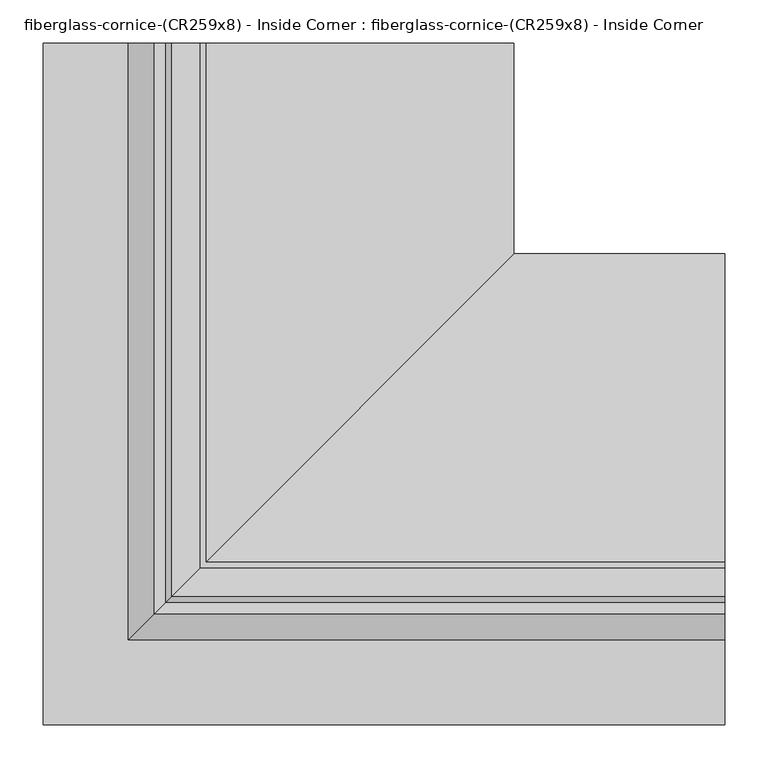
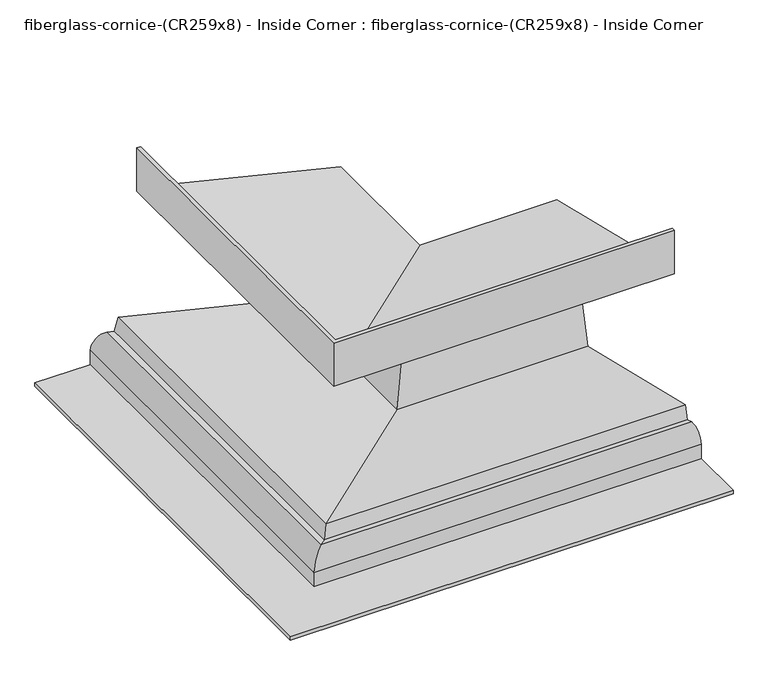
"""IFC4 building model written with IfcOpenShell, lengths in millimetres: furniture geometry, fiberglass-cornice-(CR259x8) - Inside Corner : fiberglass-cornice-(CR259x8) - Inside Corner."""

from ifc_helpers import new_model, si_unit, frame, origin, place, context, project, spatial, polyline, circle_curve, ellipse_curve, source, transform, mapped, element, save
from ifc_brep_helpers import plane_surface, cylinder_surface, revolved_surface, advanced_brep


def fiberglass_cornice_cr259x8_inside_corner_fiberglass_cornice_6072cd7b(model_context):
    return source(origin(), model_context, "Body", "AdvancedBrep", [
        advanced_brep(
        [(-205.7577036, 888.603125, 330.1999904), (-205.7577036, 888.603125, 253.7104048), (150.232347, 888.603125, 167.8901062), (150.232347, 888.603125, 139.2704835), (99.7669767, 888.603125, 64.9272032), (99.7669767, 888.603125, 45.9603526), (83.0016356, 888.603125, 45.9603526), (58.2572658, 888.603125, -56.6814421), (-241.3678799, 888.603125, 15.2521911), (-247.9724082, 888.603125, -9.1337596), (-266.9677129, 888.603125, -4.0860563), (-288.8742751, 888.603125, -22.2687052), (-288.8742751, 888.603125, -55.1143044), (-393.6999938, 888.603125, -55.1143044), (-393.6999938, 888.603125, -48.7643044), (-295.2242751, 888.603125, -48.7643044), (-295.2242751, 888.603125, -22.0374139), (-265.773737, 888.603125, 2.167041), (-252.4494847, 888.603125, -1.3736694), (-245.8843225, 888.603125, 22.8669295), (53.5709069, 888.603125, -49.0259103), (78.0005456, 888.603125, 52.3103526), (93.4169767, 888.603125, 52.3103526), (93.4169767, 888.603125, 65.1880203), (143.882347, 888.603125, 143.1140412), (143.882347, 888.603125, 162.8890163), (-212.1077036, 888.603125, 248.7093148), (-212.1077036, 888.603125, 330.1999904), (393.6999938, 289.1454153, 330.1999904), (393.6999938, 282.7954153, 330.1999904), (393.6999938, 282.7954153, 248.7093148), (393.6999938, 638.7854658, 162.8890163), (393.6999938, 638.7854658, 143.1140412), (393.6999938, 588.3200956, 65.1880203), (393.6999938, 588.3200956, 52.3103526), (393.6999938, 572.9036645, 52.3103526), (393.6999938, 548.4740257, -49.0259103), (393.6999938, 249.0187964, 22.8669295), (393.6999938, 242.4536342, -1.3736694), (393.6999938, 229.1293819, 2.167041), (393.6999938, 199.6788437, -22.0374139), (393.6999938, 199.6788437, -48.7643044), (393.6999938, 101.203125, -48.7643044), (393.6999938, 101.203125, -55.1143044), (393.6999938, 206.0288437, -55.1143044), (393.6999938, 206.0288437, -22.2687052), (393.6999938, 227.935406, -4.0860563), (393.6999938, 246.9307107, -9.1337596), (393.6999938, 253.535239, 15.2521911), (393.6999938, 553.1603846, -56.6814421), (393.6999938, 577.9047544, 45.9603526), (393.6999938, 594.6700956, 45.9603526), (393.6999938, 594.6700956, 64.9272032), (393.6999938, 645.1354658, 139.2704835), (393.6999938, 645.1354658, 167.8901062), (393.6999938, 289.1454153, 253.7104048), (-205.7577036, 289.1454153, 330.1999904), (-205.7577036, 289.1454153, 253.7104048), (150.232347, 645.1354658, 167.8901062), (150.232347, 645.1354658, 139.2704835), (99.7669767, 594.6700956, 64.9272032), (99.7669767, 594.6700956, 45.9603526), (83.0016356, 577.9047544, 45.9603526), (58.2572658, 553.1603846, -56.6814421), (-241.3678799, 253.535239, 15.2521911), (-247.9724082, 246.9307107, -9.1337596), (-266.9677129, 227.935406, -4.0860563), (-288.8742751, 206.0288437, -22.2687052), (-288.8742751, 206.0288437, -55.1143044), (-393.6999938, 101.203125, -55.1143044), (-393.6999938, 101.203125, -48.7643044), (-295.2242751, 199.6788437, -48.7643044), (-295.2242751, 199.6788437, -22.0374139), (-265.773737, 229.1293819, 2.167041), (-252.4494847, 242.4536342, -1.3736694), (-245.8843225, 249.0187964, 22.8669295), (53.5709069, 548.4740257, -49.0259103), (78.0005456, 572.9036645, 52.3103526), (93.4169767, 588.3200956, 52.3103526), (93.4169767, 588.3200956, 65.1880203), (143.882347, 638.7854658, 143.1140412), (143.882347, 638.7854658, 162.8890163), (-212.1077036, 282.7954153, 248.7093148), (-212.1077036, 282.7954153, 330.1999904)],
        [
            (0, 1),
            (1, 2),
            (2, 3),
            (3, 4, circle_curve(frame((191.009118, 888.603125, 57.2906021), z_axis=(0.0, -1.0, 0.0), x_axis=(-0.4453500919487112, 0.0, 0.8953565187126715)), 91.56116)),
            (4, 5),
            (5, 6),
            (6, 7),
            (7, 8),
            (8, 9),
            (9, 10),
            (10, 11, circle_curve(frame((-269.0875595, 888.603125, -23.8199545), z_axis=(0.0, -1.0, 0.0), x_axis=(0.10680710794097731, 0.0, 0.9942797602753887)), 19.8474303)),
            (11, 12),
            (12, 13),
            (13, 14),
            (14, 15),
            (15, 16),
            (16, 17, circle_curve(frame((-269.0875595, 888.603125, -23.8199545), z_axis=(0.0, 1.0, 0.0), x_axis=(0.1264941823253783, 0.0, 0.9919673491793135)), 26.1974303)),
            (17, 18),
            (18, 19),
            (19, 20),
            (20, 21),
            (21, 22),
            (22, 23),
            (23, 24, circle_curve(frame((191.009118, 888.603125, 57.2906021), z_axis=(0.0, 1.0, 0.0), x_axis=(-0.48132175152741535, 0.0, 0.8765439929099856)), 97.91116)),
            (24, 25),
            (25, 26),
            (26, 27),
            (27, 0),
            (28, 29),
            (29, 30),
            (30, 31),
            (31, 32),
            (32, 33, circle_curve(frame((393.6999938, 685.9122368, 57.2906021), z_axis=(1.0, 0.0, 0.0), x_axis=(0.0, -0.48132175152741535, 0.8765439929099856)), 97.91116)),
            (33, 34),
            (34, 35),
            (35, 36),
            (36, 37),
            (37, 38),
            (38, 39),
            (39, 40, circle_curve(frame((393.6999938, 225.8155594, -23.8199545), z_axis=(1.0, 0.0, 0.0), x_axis=(0.0, 0.1264941823253783, 0.9919673491793135)), 26.1974303)),
            (40, 41),
            (41, 42),
            (42, 43),
            (43, 44),
            (44, 45),
            (45, 46, circle_curve(frame((393.6999938, 225.8155594, -23.8199545), z_axis=(-1.0, 0.0, 0.0), x_axis=(0.0, 0.10680710794097731, 0.9942797602753887)), 19.8474303)),
            (46, 47),
            (47, 48),
            (48, 49),
            (49, 50),
            (50, 51),
            (51, 52),
            (52, 53, circle_curve(frame((393.6999938, 685.9122368, 57.2906021), z_axis=(-1.0, 0.0, 0.0), x_axis=(0.0, -0.4453500919487112, 0.8953565187126715)), 91.56116)),
            (53, 54),
            (54, 55),
            (55, 28),
            (0, 56),
            (56, 57),
            (57, 1),
            (57, 58),
            (58, 2),
            (58, 59),
            (59, 3),
            (59, 60, ellipse_curve(frame((191.009118, 685.9122368, 57.2906021), z_axis=(0.7071067811865475, -0.7071067811865475, 0.0), x_axis=(-0.7071067811865474, -0.7071067811865476, 0.0)), 129.4870342, 91.56116)),
            (60, 4),
            (60, 61),
            (61, 5),
            (61, 51),
            (50, 62),
            (62, 6),
            (62, 63),
            (63, 7),
            (63, 64),
            (64, 8),
            (64, 65),
            (65, 9),
            (65, 66),
            (66, 10),
            (66, 67, ellipse_curve(frame((-269.0875595, 225.8155594, -23.8199545), z_axis=(0.7071067811865475, -0.7071067811865475, 0.0), x_axis=(-0.7071067811865474, -0.7071067811865476, 0.0)), 28.0685051, 19.8474303)),
            (67, 11),
            (67, 68),
            (68, 12),
            (68, 44),
            (43, 69),
            (69, 13),
            (69, 70),
            (70, 14),
            (70, 42),
            (41, 71),
            (71, 15),
            (71, 72),
            (72, 16),
            (72, 73, ellipse_curve(frame((-269.0875595, 225.8155594, -23.8199545), z_axis=(-0.7071067811865475, 0.7071067811865475, 0.0), x_axis=(0.7071067811865474, 0.7071067811865476, 0.0)), 37.0487613, 26.1974303)),
            (73, 17),
            (73, 74),
            (74, 18),
            (74, 75),
            (75, 19),
            (75, 76),
            (76, 20),
            (76, 77),
            (77, 21),
            (77, 35),
            (34, 78),
            (78, 22),
            (78, 79),
            (79, 23),
            (79, 80, ellipse_curve(frame((191.009118, 685.9122368, 57.2906021), z_axis=(-0.7071067811865475, 0.7071067811865475, 0.0), x_axis=(0.7071067811865474, 0.7071067811865476, 0.0)), 138.4672904, 97.91116)),
            (80, 24),
            (80, 81),
            (81, 25),
            (81, 82),
            (82, 26),
            (82, 83),
            (83, 27),
            (83, 29),
            (28, 56),
            (55, 57),
            (54, 58),
            (53, 59),
            (52, 60),
            (49, 63),
            (48, 64),
            (47, 65),
            (46, 66),
            (45, 67),
            (40, 72),
            (39, 73),
            (38, 74),
            (37, 75),
            (36, 76),
            (33, 79),
            (32, 80),
            (31, 81),
            (30, 82),
        ],
        [
            plane_surface(frame((-393.6999938, 888.603125, 330.1999904), z_axis=(0.0, 1.0, 0.0), x_axis=(0.0, 0.0, 1.0))),
            plane_surface(frame((393.6999938, 101.203125, 330.1999904), z_axis=(1.0, 0.0, 0.0), x_axis=(0.0, 0.0, 1.0))),
            plane_surface(frame((-205.7577036, 888.603125, 330.1999904), z_axis=(1.0, 0.0, 0.0), x_axis=(0.0, -1.0, 0.0))),
            plane_surface(frame((-205.7577036, 888.603125, 253.7104048), z_axis=(0.23436096824915312, 0.0, 0.9721496472052641), x_axis=(0.0, -1.0, 0.0))),
            plane_surface(frame((150.232347, 888.603125, 167.8901062), z_axis=(1.0, 0.0, 0.0), x_axis=(0.0, -1.0, 0.0))),
            revolved_surface(polyline([(150.23234697506933, 594.3510768414455, 139.27048356689392), (150.23234697506933, 888.603125, 139.27048356689392)]), (191.009118, 888.603125, 57.2906021), (0.0, -1.0, 0.0)),
            plane_surface(frame((99.7669767, 888.603125, 64.9272032), z_axis=(1.0, 0.0, 0.0), x_axis=(0.0, -1.0, 0.0))),
            plane_surface(frame((99.7669767, 888.603125, 45.9603526), z_axis=(0.0, 0.0, -1.0), x_axis=(0.0, -1.0, 0.0))),
            plane_surface(frame((83.0016356, 888.603125, 45.9603526), z_axis=(0.9721496472052688, 0.0, -0.23436096824913397), x_axis=(0.0, -1.0, 0.0))),
            plane_surface(frame((58.2572658, 888.603125, -56.6814421), z_axis=(-0.2334453638561831, 0.0, -0.9723699203976099), x_axis=(0.0, -1.0, 0.0))),
            plane_surface(frame((-241.3678799, 888.603125, 15.2521911), z_axis=(0.9652263719199687, 0.0, -0.2614154757282249), x_axis=(0.0, -1.0, 0.0))),
            plane_surface(frame((-247.9724082, 888.603125, -9.1337596), z_axis=(-0.25682125156331215, 0.0, -0.966458920361054), x_axis=(0.0, -1.0, 0.0))),
            revolved_surface(polyline([(-266.9677128695969, 205.9681291060208, -4.086056259233516), (-266.9677128695969, 888.603125, -4.086056259233516)]), (-269.0875595, 888.603125, -23.8199545), (0.0, -1.0, 0.0)),
            plane_surface(frame((-288.8742751, 888.603125, -22.2687052), z_axis=(1.0, 0.0, 0.0), x_axis=(0.0, -1.0, 0.0))),
            plane_surface(frame((-288.8742751, 888.603125, -55.1143044), z_axis=(0.0, 0.0, -1.0), x_axis=(0.0, -1.0, 0.0))),
            plane_surface(frame((-393.6999938, 888.603125, -55.1143044), z_axis=(-1.0, 0.0, 0.0), x_axis=(0.0, -1.0, 0.0))),
            plane_surface(frame((-393.6999938, 888.603125, -48.7643044), z_axis=(0.0, 0.0, 1.0), x_axis=(0.0, -1.0, 0.0))),
            plane_surface(frame((-295.2242751, 888.603125, -48.7643044), z_axis=(-1.0, 0.0, 0.0), x_axis=(0.0, -1.0, 0.0))),
            cylinder_surface(frame((-269.0875595, 888.603125, -23.8199545), z_axis=(0.0, 1.0, 0.0), x_axis=(0.1264941823253783, 0.0, 0.9919673491793135)), 26.1974303),
            plane_surface(frame((-265.773737, 888.603125, 2.167041), z_axis=(0.25682125156327507, 0.0, 0.9664589203610638), x_axis=(0.0, -1.0, 0.0))),
            plane_surface(frame((-252.4494847, 888.603125, -1.3736694), z_axis=(-0.965226371919969, 0.0, 0.2614154757282244), x_axis=(0.0, -1.0, 0.0))),
            plane_surface(frame((-245.8843225, 888.603125, 22.8669295), z_axis=(0.23344536385618272, 0.0, 0.97236992039761), x_axis=(0.0, -1.0, 0.0))),
            plane_surface(frame((53.5709069, 888.603125, -49.0259103), z_axis=(-0.9721496472052703, 0.0, 0.23436096824912744), x_axis=(0.0, -1.0, 0.0))),
            plane_surface(frame((78.0005456, 888.603125, 52.3103526), z_axis=(0.0, 0.0, 1.0), x_axis=(0.0, -1.0, 0.0))),
            plane_surface(frame((93.4169767, 888.603125, 52.3103526), z_axis=(-1.0, 0.0, 0.0), x_axis=(0.0, -1.0, 0.0))),
            cylinder_surface(frame((191.009118, 888.603125, 57.2906021), z_axis=(0.0, 1.0, 0.0), x_axis=(-0.48132175152741535, 0.0, 0.8765439929099856)), 97.91116),
            plane_surface(frame((143.882347, 888.603125, 143.1140412), z_axis=(-1.0, 0.0, 0.0), x_axis=(0.0, -1.0, 0.0))),
            plane_surface(frame((143.882347, 888.603125, 162.8890163), z_axis=(-0.2343609682491545, 0.0, -0.9721496472052638), x_axis=(0.0, -1.0, 0.0))),
            plane_surface(frame((-212.1077036, 888.603125, 248.7093148), z_axis=(-1.0, 0.0, 0.0), x_axis=(0.0, -1.0, 0.0))),
            plane_surface(frame((-212.1077036, 888.603125, 330.1999904), z_axis=(0.0, 0.0, 1.0), x_axis=(0.0, -1.0, 0.0))),
            plane_surface(frame((-205.7577036, 289.1454153, 330.1999904), z_axis=(0.0, 1.0, 0.0), x_axis=(1.0, 0.0, 0.0))),
            plane_surface(frame((-205.7577036, 289.1454153, 253.7104048), z_axis=(0.0, 0.23436096824915312, 0.9721496472052641), x_axis=(1.0, 0.0, 0.0))),
            plane_surface(frame((150.232347, 645.1354658, 167.8901062), z_axis=(0.0, 1.0, 0.0), x_axis=(1.0, 0.0, 0.0))),
            revolved_surface(polyline([(393.6999938, 645.1354657750693, 139.27048356689392), (99.44795804144564, 645.1354657750693, 139.27048356689392)]), (-393.6999938, 685.9122368, 57.2906021), (1.0, 0.0, 0.0)),
            plane_surface(frame((99.7669767, 594.6700956, 64.9272032), z_axis=(0.0, 1.0, 0.0), x_axis=(1.0, 0.0, 0.0))),
            plane_surface(frame((83.0016356, 577.9047544, 45.9603526), z_axis=(0.0, 0.9721496472052688, -0.23436096824913397), x_axis=(1.0, 0.0, 0.0))),
            plane_surface(frame((58.2572658, 553.1603846, -56.6814421), z_axis=(0.0, -0.2334453638561831, -0.9723699203976099), x_axis=(1.0, 0.0, 0.0))),
            plane_surface(frame((-241.3678799, 253.535239, 15.2521911), z_axis=(0.0, 0.9652263719199687, -0.2614154757282249), x_axis=(1.0, 0.0, 0.0))),
            plane_surface(frame((-247.9724082, 246.9307107, -9.1337596), z_axis=(0.0, -0.25682125156331215, -0.966458920361054), x_axis=(1.0, 0.0, 0.0))),
            revolved_surface(polyline([(393.6999938, 227.93540603040313, -4.086056259233516), (-288.9349897939792, 227.93540603040313, -4.086056259233516)]), (-393.6999938, 225.8155594, -23.8199545), (1.0, 0.0, 0.0)),
            plane_surface(frame((-288.8742751, 206.0288437, -22.2687052), z_axis=(0.0, 1.0, 0.0), x_axis=(1.0, 0.0, 0.0))),
            plane_surface(frame((-393.6999938, 101.203125, -55.1143044), z_axis=(0.0, -1.0, 0.0), x_axis=(1.0, 0.0, 0.0))),
            plane_surface(frame((-295.2242751, 199.6788437, -48.7643044), z_axis=(0.0, -1.0, 0.0), x_axis=(1.0, 0.0, 0.0))),
            cylinder_surface(frame((-393.6999938, 225.8155594, -23.8199545), z_axis=(-1.0, 0.0, 0.0), x_axis=(0.0, 0.1264941823253783, 0.9919673491793135)), 26.1974303),
            plane_surface(frame((-265.773737, 229.1293819, 2.167041), z_axis=(0.0, 0.25682125156327507, 0.9664589203610638), x_axis=(1.0, 0.0, 0.0))),
            plane_surface(frame((-252.4494847, 242.4536342, -1.3736694), z_axis=(0.0, -0.965226371919969, 0.2614154757282244), x_axis=(1.0, 0.0, 0.0))),
            plane_surface(frame((-245.8843225, 249.0187964, 22.8669295), z_axis=(0.0, 0.23344536385618272, 0.97236992039761), x_axis=(1.0, 0.0, 0.0))),
            plane_surface(frame((53.5709069, 548.4740257, -49.0259103), z_axis=(0.0, -0.9721496472052703, 0.23436096824912744), x_axis=(1.0, 0.0, 0.0))),
            plane_surface(frame((93.4169767, 588.3200956, 52.3103526), z_axis=(0.0, -1.0, 0.0), x_axis=(1.0, 0.0, 0.0))),
            cylinder_surface(frame((-393.6999938, 685.9122368, 57.2906021), z_axis=(-1.0, 0.0, 0.0), x_axis=(0.0, -0.48132175152741535, 0.8765439929099856)), 97.91116),
            plane_surface(frame((143.882347, 638.7854658, 143.1140412), z_axis=(0.0, -1.0, 0.0), x_axis=(1.0, 0.0, 0.0))),
            plane_surface(frame((143.882347, 638.7854658, 162.8890163), z_axis=(0.0, -0.2343609682491545, -0.9721496472052638), x_axis=(1.0, 0.0, 0.0))),
            plane_surface(frame((-212.1077036, 282.7954153, 248.7093148), z_axis=(0.0, -1.0, 0.0), x_axis=(1.0, 0.0, 0.0))),
        ],
        [
            (0, [[1, 2, 3, 4, 5, 6, 7, 8, 9, 10, 11, 12, 13, 14, 15, 16, 17, 18, 19, 20, 21, 22, 23, 24, 25, 26, 27, 28]]),
            (1, [[29, 30, 31, 32, 33, 34, 35, 36, 37, 38, 39, 40, 41, 42, 43, 44, 45, 46, 47, 48, 49, 50, 51, 52, 53, 54, 55, 56]]),
            (2, [[-1, 57, 58, 59]]),
            (3, [[-2, -59, 60, 61]]),
            (4, [[-3, -61, 62, 63]]),
            (5, [[-4, -63, 64, 65]]),
            (6, [[-5, -65, 66, 67]]),
            (7, [[-6, -67, 68, -51, 69, 70]]),
            (8, [[-7, -70, 71, 72]]),
            (9, [[-8, -72, 73, 74]]),
            (10, [[-9, -74, 75, 76]]),
            (11, [[-10, -76, 77, 78]]),
            (12, [[-11, -78, 79, 80]]),
            (13, [[-12, -80, 81, 82]]),
            (14, [[-13, -82, 83, -44, 84, 85]]),
            (15, [[-14, -85, 86, 87]]),
            (16, [[-15, -87, 88, -42, 89, 90]]),
            (17, [[-16, -90, 91, 92]]),
            (18, [[-17, -92, 93, 94]]),
            (19, [[-18, -94, 95, 96]]),
            (20, [[-19, -96, 97, 98]]),
            (21, [[-20, -98, 99, 100]]),
            (22, [[-21, -100, 101, 102]]),
            (23, [[-22, -102, 103, -35, 104, 105]]),
            (24, [[-23, -105, 106, 107]]),
            (25, [[-24, -107, 108, 109]]),
            (26, [[-25, -109, 110, 111]]),
            (27, [[-26, -111, 112, 113]]),
            (28, [[-27, -113, 114, 115]]),
            (29, [[-28, -115, 116, -29, 117, -57]]),
            (30, [[-58, -117, -56, 118]]),
            (31, [[-60, -118, -55, 119]]),
            (32, [[-62, -119, -54, 120]]),
            (33, [[-64, -120, -53, 121]]),
            (34, [[-66, -121, -52, -68]]),
            (35, [[-71, -69, -50, 122]]),
            (36, [[-73, -122, -49, 123]]),
            (37, [[-75, -123, -48, 124]]),
            (38, [[-77, -124, -47, 125]]),
            (39, [[-79, -125, -46, 126]]),
            (40, [[-81, -126, -45, -83]]),
            (41, [[-86, -84, -43, -88]]),
            (42, [[-91, -89, -41, 127]]),
            (43, [[-93, -127, -40, 128]]),
            (44, [[-95, -128, -39, 129]]),
            (45, [[-97, -129, -38, 130]]),
            (46, [[-99, -130, -37, 131]]),
            (47, [[-101, -131, -36, -103]]),
            (48, [[-106, -104, -34, 132]]),
            (49, [[-108, -132, -33, 133]]),
            (50, [[-110, -133, -32, 134]]),
            (51, [[-112, -134, -31, 135]]),
            (52, [[-114, -135, -30, -116]]),
        ],
    ),
    ])


if __name__ == "__main__":
    model = new_model("IFC4")
    model_context = context("Model", 3, world=origin())
    ifc_project = project(units=[si_unit("LENGTHUNIT", "METRE", prefix="MILLI")], contexts=[model_context])
    site = spatial("IfcSite", under=ifc_project)
    building = spatial("IfcBuilding", under=site)
    placement = place(None, origin())
    fiberglass_cornice_cr259x8_inside_corner_fiberglass_cornice_shape = fiberglass_cornice_cr259x8_inside_corner_fiberglass_cornice_6072cd7b(model_context)
    element("IfcFurniture", 1, ObjectType="fiberglass-cornice-(CR259x8) - Inside Corner : fiberglass-cornice-(CR259x8) - Inside Corner", at=placement, inside=building, context=model_context, shape_type="MappedRepresentation", body=[
        mapped(fiberglass_cornice_cr259x8_inside_corner_fiberglass_cornice_shape, transform((0.0, 0.0, 0.0), x_axis=(1.0, 0.0, 0.0), y_axis=(0.0, 1.0, 0.0), z_axis=(0.0, 0.0, 1.0))),
    ])
    save(model, "model.ifc")
